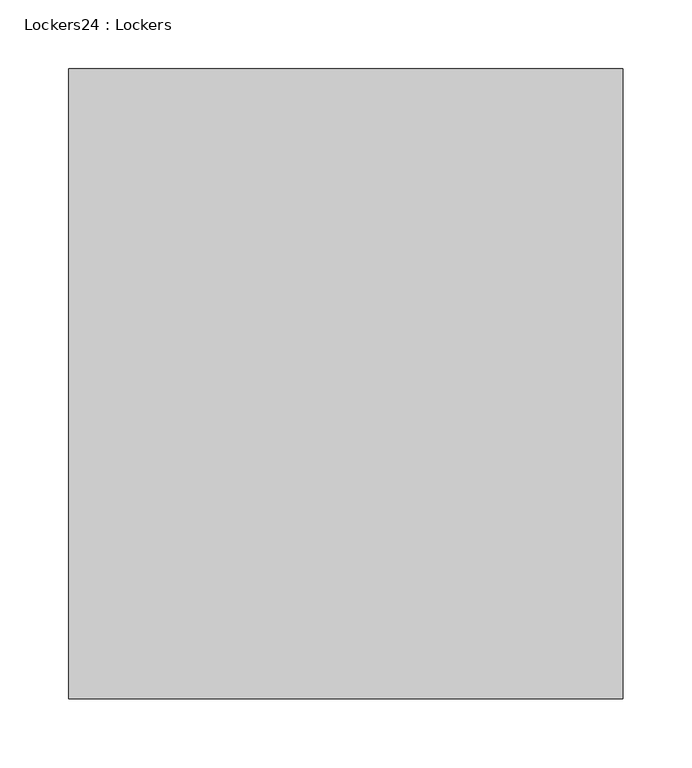
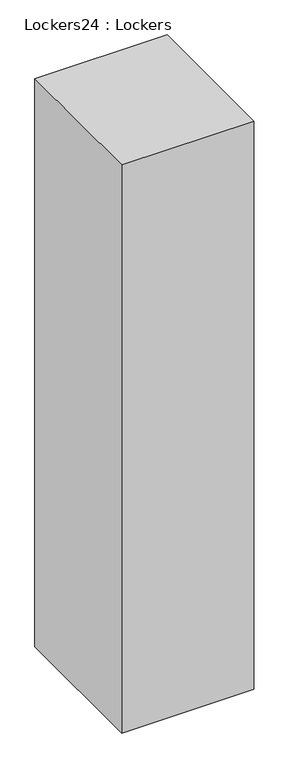
"""IFC4 building model written with IfcOpenShell, lengths in millimetres: furniture geometry, Lockers24 : Lockers."""

import ifcopenshell
import ifcopenshell.guid

model = None  # the IFC model being written
_history = None  # IfcOwnerHistory: only IFC2X3 demands one
_inside = {}  # id of a spatial element -> (the spatial element, [elements in it])
_under = {}  # id of a project, library or spatial element -> (it, [spatial elements below it])
_declared = {}  # id of a project -> (the project, [libraries it declares])
_typed = {}  # id of a type object -> (the type object, [elements of that type])
_made_of = {}  # id of a material, layer set ... -> (it, [elements and type objects made of it])


def new_model(schema):
    """Start an empty IFC model of exactly this schema.

    Asked for "IFC4X3", IfcOpenShell would pick the latest addendum, in which some entities
    have other attributes; the version numbers below select the first issue.
    IFC2X3 requires an IfcOwnerHistory on every rooted entity: one is made here for all.
    """
    global model, _history
    if schema == "IFC4X3":
        model = ifcopenshell.file(schema_version=(4, 3, 0, 0))
    else:
        model = ifcopenshell.file(schema=schema)
    _inside.clear()
    _under.clear()
    _declared.clear()
    _typed.clear()
    _made_of.clear()
    _history = None
    if model.schema == "IFC2X3":
        org = make("IfcOrganization", Name="unknown")
        user = make(
            "IfcPersonAndOrganization",
            ThePerson=make("IfcPerson", FamilyName="unknown"),
            TheOrganization=org,
        )
        app = make(
            "IfcApplication",
            ApplicationDeveloper=org,
            Version="unknown",
            ApplicationFullName="unknown",
            ApplicationIdentifier="unknown",
        )
        _history = make(
            "IfcOwnerHistory",
            OwningUser=user,
            OwningApplication=app,
            ChangeAction="ADDED",
            CreationDate=0,
        )
    return model


def make(cls, **values):
    """One entity of the class cls with the attributes given. An attribute that is None is left unset."""
    return model.create_entity(
        cls, **{name: value for name, value in values.items() if value is not None}
    )


def rooted(cls, **values):
    """An entity with a GlobalId (a new one), such as an element, a storey or a relation."""
    return make(cls, GlobalId=ifcopenshell.guid.new(), OwnerHistory=_history, **values)


def si_unit(unit_type, name, prefix=None):
    """IfcSIUnit, for example si_unit("LENGTHUNIT", "METRE", prefix="MILLI")."""
    return make("IfcSIUnit", UnitType=unit_type, Prefix=prefix, Name=name)


def assignment(units):
    """IfcUnitAssignment: the units of a project."""
    return None if units is None else make("IfcUnitAssignment", Units=units)


def point(xyz):
    """IfcCartesianPoint."""
    return None if xyz is None else make("IfcCartesianPoint", Coordinates=xyz)


def direction(xyz):
    """IfcDirection."""
    return None if xyz is None else make("IfcDirection", DirectionRatios=xyz)


def frame(location, z_axis=None, x_axis=None):
    """IfcAxis2Placement3D, a coordinate frame: its origin and axes. An axis left out is left unset."""
    return make(
        "IfcAxis2Placement3D",
        Location=point(location),
        Axis=direction(z_axis),
        RefDirection=direction(x_axis),
    )


def origin():
    """The frame at (0, 0, 0) with its axes left unset."""
    return frame((0.0, 0.0, 0.0))


def origin_with_axes():
    """The frame at (0, 0, 0) with the z axis (0, 0, 1) and the x axis (1, 0, 0) written out."""
    return frame((0.0, 0.0, 0.0), z_axis=(0.0, 0.0, 1.0), x_axis=(1.0, 0.0, 0.0))


def place(relative_to, where):
    """IfcLocalPlacement: puts the frame where relative to a parent placement (None: the world)."""
    return make(
        "IfcLocalPlacement", PlacementRelTo=relative_to, RelativePlacement=where
    )


def context(
    kind, dimensions, precision=None, world=None, true_north=None, identifier=None
):
    """IfcGeometricRepresentationContext, for example the 3D "Model" context."""
    return make(
        "IfcGeometricRepresentationContext",
        ContextIdentifier=identifier,
        ContextType=kind,
        CoordinateSpaceDimension=dimensions,
        Precision=precision,
        WorldCoordinateSystem=world,
        TrueNorth=true_north,
    )


def project(units=None, contexts=None):
    """IfcProject with its units and contexts."""
    return rooted(
        "IfcProject",
        Name="project",
        RepresentationContexts=contexts,
        UnitsInContext=assignment(units),
    )


def spatial(cls, under=None, at=None, **own):
    """A site, building, storey or space (cls), placed at a placement, below another one or the project."""
    s = rooted(cls, ObjectPlacement=at, **own)
    if under is not None:
        _under.setdefault(under.id(), (under, []))[1].append(s)
    return s


def polyline(points):
    """IfcPolyline through the points."""
    return make("IfcPolyline", Points=[point(p) for p in points])


def outline(outer, holes=None, kind="AREA"):
    """IfcArbitraryClosedProfileDef: a profile drawn as a closed curve; with holes, ...WithVoids."""
    if holes is None:
        return make("IfcArbitraryClosedProfileDef", ProfileType=kind, OuterCurve=outer)
    return make(
        "IfcArbitraryProfileDefWithVoids",
        ProfileType=kind,
        OuterCurve=outer,
        InnerCurves=holes,
    )


def extrude(swept, where, along, depth):
    """IfcExtrudedAreaSolid: the profile swept, set in the frame where, extruded along a direction by depth."""
    return make(
        "IfcExtrudedAreaSolid",
        SweptArea=swept,
        Position=where,
        ExtrudedDirection=direction(along),
        Depth=depth,
    )


def shape(context_of_items, identifier, shape_type, items):
    """IfcShapeRepresentation: the items that make up one representation, for example the "Body"."""
    return make(
        "IfcShapeRepresentation",
        ContextOfItems=context_of_items,
        RepresentationIdentifier=identifier,
        RepresentationType=shape_type,
        Items=items,
    )


def source(mapping_origin, context_of_items, identifier, shape_type, items):
    """IfcRepresentationMap: a shape defined once, which mapped items show again and again."""
    return make(
        "IfcRepresentationMap",
        MappingOrigin=mapping_origin,
        MappedRepresentation=shape(context_of_items, identifier, shape_type, items),
    )


def transform(
    local_origin,
    x_axis=None,
    y_axis=None,
    z_axis=None,
    scale=None,
    scale2=None,
    scale3=None,
    uniform=True,
):
    """IfcCartesianTransformationOperator3D, or its non-uniform kind. x_axis, y_axis, z_axis: its Axis1, 2, 3."""
    if uniform:
        return make(
            "IfcCartesianTransformationOperator3D",
            Axis1=direction(x_axis),
            Axis2=direction(y_axis),
            LocalOrigin=point(local_origin),
            Scale=scale,
            Axis3=direction(z_axis),
        )
    return make(
        "IfcCartesianTransformationOperator3DnonUniform",
        Axis1=direction(x_axis),
        Axis2=direction(y_axis),
        LocalOrigin=point(local_origin),
        Scale=scale,
        Axis3=direction(z_axis),
        Scale2=scale2,
        Scale3=scale3,
    )


def mapped(mapping_source, mapping_target):
    """IfcMappedItem: shows the shape of a source again, moved by a transform."""
    return make(
        "IfcMappedItem", MappingSource=mapping_source, MappingTarget=mapping_target
    )


def made_of(thing, what):
    """Note that an element or type object is made of a material, layer set ...; save() writes the relation."""
    if what is not None:
        _made_of.setdefault(what.id(), (what, []))[1].append(thing)
    return thing


def element(
    cls,
    number,
    at=None,
    inside=None,
    cuts=None,
    type_object=None,
    material=None,
    context=None,
    identifier="Body",
    shape_type=None,
    held_by="IfcProductDefinitionShape",
    body=None,
    shapes=None,
    **own,
):
    """One element of the class cls, such as IfcWall. Its Tag is "e" and its number.

    at: its placement. inside: the storey or other place that contains it. cuts: it is an
    opening in that element (IfcRelVoidsElement). A single representation is given by context,
    identifier, shape_type and body (its items); several are given by shapes. held_by: the class
    of the entity that holds the representations. save() writes the other relations.
    """
    e = rooted(cls, Tag="e%d" % number, ObjectPlacement=at, **own)
    if body is not None:
        shapes = [shape(context, identifier, shape_type, body)]
    if shapes is not None:
        e.Representation = make(held_by, Representations=shapes)
    if inside is not None:
        _inside.setdefault(inside.id(), (inside, []))[1].append(e)
    if cuts is not None:
        rooted(
            "IfcRelVoidsElement", RelatingBuildingElement=cuts, RelatedOpeningElement=e
        )
    if type_object is not None:
        _typed.setdefault(type_object.id(), (type_object, []))[1].append(e)
    return made_of(e, material)


def aggregate(whole, parts):
    """IfcRelAggregates: a whole, such as a stair, and the parts it consists of."""
    return rooted("IfcRelAggregates", RelatingObject=whole, RelatedObjects=parts)


def save(model, path):
    """Write the relations noted so far, then the file.

    IfcRelAggregates (storeys below a building ...), IfcRelContainedInSpatialStructure (elements
    in a storey), IfcRelDefinesByType, IfcRelAssociatesMaterial and IfcRelDeclares: one each for
    every whole, place, type object, material and project.
    """
    for whole, parts in _under.values():
        aggregate(whole, parts)
    for where, things in _inside.values():
        rooted(
            "IfcRelContainedInSpatialStructure",
            RelatedElements=things,
            RelatingStructure=where,
        )
    for kind, things in _typed.values():
        rooted("IfcRelDefinesByType", RelatedObjects=things, RelatingType=kind)
    for what, things in _made_of.values():
        rooted("IfcRelAssociatesMaterial", RelatedObjects=things, RelatingMaterial=what)
    for by, libraries in _declared.values():
        rooted("IfcRelDeclares", RelatingContext=by, RelatedDefinitions=libraries)
    model.write(path)


def lockers24_lockers_d900ed30(model_context):
    return source(origin(), model_context, "Body", "SweptSolid", [
        extrude(outline(polyline([(-565259.3932805, -59375.6646139), (-564856.8823022, -59375.6646139), (-564856.8823022, -59832.8646139), (-565259.3932805, -59832.8646139), (-565259.3932805, -59375.6646139)])), origin_with_axes(), (0.0, 0.0, 1.0), 1828.8),
    ])


if __name__ == "__main__":
    model = new_model("IFC4")
    model_context = context("Model", 3, world=origin())
    ifc_project = project(units=[si_unit("LENGTHUNIT", "METRE", prefix="MILLI")], contexts=[model_context])
    site = spatial("IfcSite", under=ifc_project)
    building = spatial("IfcBuilding", under=site)
    placement = place(None, origin())
    lockers24_lockers_shape = lockers24_lockers_d900ed30(model_context)
    element("IfcFurniture", 1, ObjectType="Lockers24 : Lockers", at=placement, inside=building, context=model_context, shape_type="MappedRepresentation", body=[
        mapped(lockers24_lockers_shape, transform((0.0, 0.0, 0.0), x_axis=(1.0, 0.0, 0.0), y_axis=(0.0, 1.0, 0.0), z_axis=(0.0, 0.0, 1.0))),
    ])
    save(model, "model.ifc")
